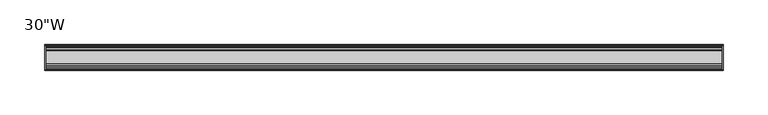
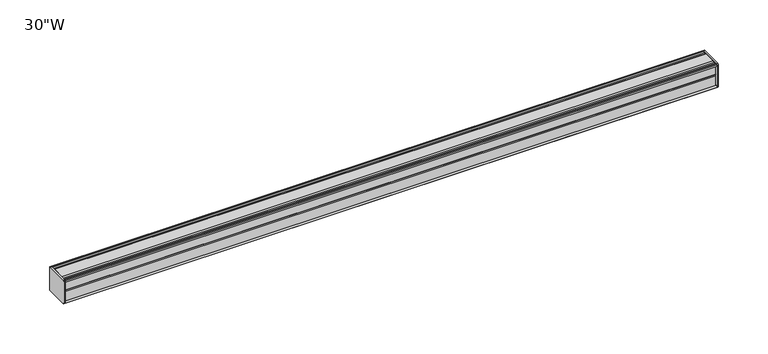
"""IFC4 building model written with IfcOpenShell, lengths in millimetres: furniture geometry."""

from ifc_helpers import new_model, si_unit, frame, origin, place, context, project, spatial, circle_curve, source, transform, mapped, element, save
from ifc_brep_helpers import plane_surface, cylinder_surface, advanced_brep


def furniture_b63b4769(model_context):
    return source(origin(), model_context, "Body", "AdvancedBrep", [
        advanced_brep(
        [(379.4125, 14.5851562, 1373.9436262), (379.4125, 14.5851562, 1347.7932877), (379.4125, 14.4138595, 1346.9873997), (379.4125, 13.8374434, 1346.4109837), (379.4125, 12.9019306, 1346.1603131), (379.4125, -13.4067434, 1346.1603131), (379.4125, -14.3040014, 1347.0575711), (379.4125, -14.5851563, 1347.8259798), (379.4125, -14.5851563, 1373.7443327), (379.4125, -14.3040014, 1374.5127414), (379.4125, -13.4464303, 1375.3703125), (379.4125, 13.0500437, 1375.3703125), (379.4125, 13.8374434, 1375.1593288), (379.4125, 14.4138595, 1374.5829128), (381.0, 14.6248431, 1373.7955131), (381.0, 14.4138595, 1374.5829128), (381.0, 13.8374434, 1375.1593288), (381.0, 13.0500437, 1375.3703125), (381.0, -13.4464303, 1375.3703125), (381.0, -14.3040014, 1374.5127414), (381.0, -14.5851563, 1373.7443327), (381.0, -14.5851563, 1347.8259798), (381.0, -14.3040014, 1347.0575711), (381.0, -13.4067434, 1346.1603131), (381.0, 12.9019306, 1346.1603131), (381.0, 13.8374434, 1346.4109837), (381.0, 14.4138595, 1346.9873997), (381.0, 14.5851562, 1347.7932877)],
        [
            (0, 1),
            (1, 2),
            (2, 3),
            (3, 4),
            (4, 5),
            (5, 6),
            (6, 7, circle_curve(frame((379.4125, -13.3945313, 1347.8259798), z_axis=(-1.0, 0.0, 0.0), x_axis=(0.0, 1.0, 0.0)), 1.190625)),
            (7, 8),
            (8, 9, circle_curve(frame((379.4125, -13.3945313, 1373.7443327), z_axis=(-1.0, 0.0, 0.0), x_axis=(0.0, 1.0, 0.0)), 1.190625)),
            (9, 10),
            (10, 11),
            (11, 12),
            (12, 13),
            (13, 0),
            (14, 15),
            (15, 16),
            (16, 17),
            (17, 18),
            (18, 19),
            (19, 20, circle_curve(frame((381.0, -13.3945313, 1373.7443327), z_axis=(1.0, 0.0, 0.0), x_axis=(0.0, 1.0, 0.0)), 1.190625)),
            (20, 21),
            (21, 22, circle_curve(frame((381.0, -13.3945313, 1347.8259798), z_axis=(1.0, 0.0, 0.0), x_axis=(0.0, 1.0, 0.0)), 1.190625)),
            (22, 23),
            (23, 24),
            (24, 25),
            (25, 26),
            (26, 27),
            (27, 14),
            (13, 15),
            (14, 0),
            (12, 16),
            (11, 17),
            (10, 18),
            (9, 19),
            (8, 20),
            (7, 21),
            (6, 22),
            (5, 23),
            (4, 24),
            (3, 25),
            (2, 26),
            (1, 27),
        ],
        [
            plane_surface(frame((379.4125, 14.5851562, 1347.7932877), z_axis=(-1.0, 0.0, 0.0), x_axis=(0.0, 0.0, -1.0))),
            plane_surface(frame((381.0, 14.5851562, 1347.7932877), z_axis=(1.0, 0.0, 0.0), x_axis=(0.0, 0.0, 1.0))),
            plane_surface(frame((379.4125, 14.4138595, 1374.5829128), z_axis=(0.0, 0.9659256560349858, 0.25881968049857096), x_axis=(1.0, 0.0, 0.0))),
            plane_surface(frame((379.4125, 13.8374434, 1375.1593288), z_axis=(0.0, 0.7071067811866345, 0.7071067811864606), x_axis=(1.0, 0.0, 0.0))),
            plane_surface(frame((379.4125, 13.0500437, 1375.3703125), z_axis=(0.0, 0.25881968048234233, 0.9659256560393343), x_axis=(1.0, 0.0, 0.0))),
            plane_surface(frame((379.4125, -13.4464303, 1375.3703125), z_axis=(0.0, 0.0, 1.0), x_axis=(1.0, 0.0, 0.0))),
            plane_surface(frame((379.4125, -14.3040014, 1374.5127414), z_axis=(0.0, -0.7071067811807561, 0.707106781192339), x_axis=(1.0, 0.0, 0.0))),
            cylinder_surface(frame((381.0, -13.3945313, 1373.7443327), z_axis=(-1.0, 0.0, 0.0), x_axis=(0.0, 1.0, 0.0)), 1.190625),
            plane_surface(frame((379.4125, -14.5851563, 1347.8259798), z_axis=(0.0, -1.0, 0.0), x_axis=(1.0, 0.0, 0.0))),
            cylinder_surface(frame((381.0, -13.3945313, 1347.8259798), z_axis=(-1.0, 0.0, 0.0), x_axis=(0.0, 1.0, 0.0)), 1.190625),
            plane_surface(frame((379.4125, -13.4067434, 1346.1603131), z_axis=(0.0, -0.7071067811894153, -0.7071067811836799), x_axis=(1.0, 0.0, 0.0))),
            plane_surface(frame((379.4125, 12.9019306, 1346.1603131), z_axis=(0.0, 0.0, -1.0), x_axis=(1.0, 0.0, 0.0))),
            plane_surface(frame((379.4125, 13.8374434, 1346.4109837), z_axis=(0.0, 0.25881968049856396, -0.9659256560349876), x_axis=(1.0, 0.0, 0.0))),
            plane_surface(frame((379.4125, 14.4138595, 1346.9873997), z_axis=(0.0, 0.7071067811865204, -0.7071067811865748), x_axis=(1.0, 0.0, 0.0))),
            plane_surface(frame((379.4125, 14.5851562, 1347.7932877), z_axis=(0.0, 0.9781476007322519, -0.2079116908250694), x_axis=(1.0, 0.0, 0.0))),
            plane_surface(frame((379.4125, 14.5851562, 1373.9436262), z_axis=(0.0, 1.0, 0.0), x_axis=(1.0, 0.0, 0.0))),
        ],
        [
            (0, [[1, 2, 3, 4, 5, 6, 7, 8, 9, 10, 11, 12, 13, 14]]),
            (1, [[15, 16, 17, 18, 19, 20, 21, 22, 23, 24, 25, 26, 27, 28]]),
            (2, [[-14, 29, -15, 30]]),
            (3, [[-13, 31, -16, -29]]),
            (4, [[-12, 32, -17, -31]]),
            (5, [[-11, 33, -18, -32]]),
            (6, [[-10, 34, -19, -33]]),
            (7, [[-9, 35, -20, -34]]),
            (8, [[-8, 36, -21, -35]]),
            (9, [[-7, 37, -22, -36]]),
            (10, [[-6, 38, -23, -37]]),
            (11, [[-5, 39, -24, -38]]),
            (12, [[-4, 40, -25, -39]]),
            (13, [[-3, 41, -26, -40]]),
            (14, [[-2, 42, -27, -41]]),
            (15, [[-1, -30, -28, -42]]),
        ],
    ),
        advanced_brep(
        [(-379.4125, 14.6248431, 1373.7955131), (-379.4125, 14.4138595, 1374.5829128), (-379.4125, 13.8374434, 1375.1593288), (-379.4125, 13.0500437, 1375.3703125), (-379.4125, -13.4464303, 1375.3703125), (-379.4125, -14.3040014, 1374.5127414), (-379.4125, -14.5851563, 1373.7443327), (-379.4125, -14.5851563, 1347.8259798), (-379.4125, -14.3040014, 1347.0575711), (-379.4125, -13.4067434, 1346.1603131), (-379.4125, 12.9019306, 1346.1603131), (-379.4125, 13.8374434, 1346.4109837), (-379.4125, 14.4138595, 1346.9873997), (-379.4125, 14.5851562, 1347.7932877), (-381.0, 14.5851562, 1373.9436262), (-381.0, 14.5851562, 1347.7932877), (-381.0, 14.4138595, 1346.9873997), (-381.0, 13.8374434, 1346.4109837), (-381.0, 12.9019306, 1346.1603131), (-381.0, -13.4067434, 1346.1603131), (-381.0, -14.3040014, 1347.0575711), (-381.0, -14.5851563, 1347.8259798), (-381.0, -14.5851563, 1373.7443327), (-381.0, -14.3040014, 1374.5127414), (-381.0, -13.4464303, 1375.3703125), (-381.0, 13.0500437, 1375.3703125), (-381.0, 13.8374434, 1375.1593288), (-381.0, 14.4138595, 1374.5829128)],
        [
            (0, 1),
            (1, 2),
            (2, 3),
            (3, 4),
            (4, 5),
            (5, 6, circle_curve(frame((-379.4125, -13.3945313, 1373.7443327), z_axis=(1.0, 0.0, 0.0), x_axis=(0.0, 1.0, 0.0)), 1.190625)),
            (6, 7),
            (7, 8, circle_curve(frame((-379.4125, -13.3945313, 1347.8259798), z_axis=(1.0, 0.0, 0.0), x_axis=(0.0, 1.0, 0.0)), 1.190625)),
            (8, 9),
            (9, 10),
            (10, 11),
            (11, 12),
            (12, 13),
            (13, 0),
            (14, 15),
            (15, 16),
            (16, 17),
            (17, 18),
            (18, 19),
            (19, 20),
            (20, 21, circle_curve(frame((-381.0, -13.3945313, 1347.8259798), z_axis=(-1.0, 0.0, 0.0), x_axis=(0.0, 1.0, 0.0)), 1.190625)),
            (21, 22),
            (22, 23, circle_curve(frame((-381.0, -13.3945313, 1373.7443327), z_axis=(-1.0, 0.0, 0.0), x_axis=(0.0, 1.0, 0.0)), 1.190625)),
            (23, 24),
            (24, 25),
            (25, 26),
            (26, 27),
            (27, 14),
            (0, 14),
            (27, 1),
            (26, 2),
            (25, 3),
            (24, 4),
            (23, 5),
            (22, 6),
            (21, 7),
            (20, 8),
            (19, 9),
            (18, 10),
            (17, 11),
            (16, 12),
            (15, 13),
        ],
        [
            plane_surface(frame((-379.4125, 14.6248431, 1373.7955131), z_axis=(1.0, 0.0, 0.0), x_axis=(0.0, -0.2588196804654467, 0.9659256560438614))),
            plane_surface(frame((-381.0, 14.6248431, 1373.7955131), z_axis=(-1.0, 0.0, 0.0), x_axis=(0.0, 0.2588196804654467, -0.9659256560438614))),
            plane_surface(frame((-379.4125, 14.6248431, 1373.7955131), z_axis=(0.0, 0.9659256560438614, 0.2588196804654467), x_axis=(-1.0, 0.0, 0.0))),
            plane_surface(frame((-379.4125, 14.4138595, 1374.5829128), z_axis=(0.0, 0.7071067811204292, 0.7071067812526658), x_axis=(-1.0, 0.0, 0.0))),
            plane_surface(frame((-379.4125, 13.8374434, 1375.1593288), z_axis=(0.0, 0.25881968048975534, 0.9659256560373479), x_axis=(-1.0, 0.0, 0.0))),
            plane_surface(frame((-379.4125, 13.0500437, 1375.3703125), z_axis=(0.0, 0.0, 1.0), x_axis=(-1.0, 0.0, 0.0))),
            plane_surface(frame((-379.4125, -13.4464303, 1375.3703125), z_axis=(0.0, -0.7071067811870986, 0.7071067811859965), x_axis=(-1.0, 0.0, 0.0))),
            cylinder_surface(frame((-381.0, -13.3945313, 1373.7443327), z_axis=(1.0, 0.0, 0.0), x_axis=(0.0, 1.0, 0.0)), 1.190625),
            plane_surface(frame((-379.4125, -14.5851563, 1373.7443327), z_axis=(0.0, -1.0, 0.0), x_axis=(-1.0, 0.0, 0.0))),
            cylinder_surface(frame((-381.0, -13.3945313, 1347.8259798), z_axis=(1.0, 0.0, 0.0), x_axis=(0.0, 1.0, 0.0)), 1.190625),
            plane_surface(frame((-379.4125, -14.3040014, 1347.0575711), z_axis=(0.0, -0.7071067811865341, -0.7071067811865609), x_axis=(-1.0, 0.0, 0.0))),
            plane_surface(frame((-379.4125, -13.4067434, 1346.1603131), z_axis=(0.0, 0.0, -1.0), x_axis=(-1.0, 0.0, 0.0))),
            plane_surface(frame((-379.4125, 12.9019306, 1346.1603131), z_axis=(0.0, 0.25881968049856563, -0.9659256560349873), x_axis=(-1.0, 0.0, 0.0))),
            plane_surface(frame((-379.4125, 13.8374434, 1346.4109837), z_axis=(0.0, 0.707106781186519, -0.7071067811865761), x_axis=(-1.0, 0.0, 0.0))),
            plane_surface(frame((-379.4125, 14.4138595, 1346.9873997), z_axis=(0.0, 0.9781476007324962, -0.20791169082391994), x_axis=(-1.0, 0.0, 0.0))),
            plane_surface(frame((-379.4125, 14.5851562, 1347.7932877), z_axis=(0.0, 1.0, 0.0), x_axis=(-1.0, 0.0, 0.0))),
        ],
        [
            (0, [[1, 2, 3, 4, 5, 6, 7, 8, 9, 10, 11, 12, 13, 14]]),
            (1, [[15, 16, 17, 18, 19, 20, 21, 22, 23, 24, 25, 26, 27, 28]]),
            (2, [[-1, 29, -28, 30]]),
            (3, [[-2, -30, -27, 31]]),
            (4, [[-3, -31, -26, 32]]),
            (5, [[-4, -32, -25, 33]]),
            (6, [[-5, -33, -24, 34]]),
            (7, [[-6, -34, -23, 35]]),
            (8, [[-7, -35, -22, 36]]),
            (9, [[-8, -36, -21, 37]]),
            (10, [[-9, -37, -20, 38]]),
            (11, [[-10, -38, -19, 39]]),
            (12, [[-11, -39, -18, 40]]),
            (13, [[-12, -40, -17, 41]]),
            (14, [[-13, -41, -16, 42]]),
            (15, [[-14, -42, -15, -29]]),
        ],
    ),
        advanced_brep(
        [(379.4125, -7.3748315, 1375.3703125), (379.4125, -8.9105708, 1374.3395796), (379.4125, -10.7601399, 1374.3395796), (379.4125, -12.2958792, 1375.3703125), (379.4125, -13.4464303, 1375.3703125), (379.4125, -14.3040014, 1374.5127414), (379.4125, -13.3945313, 1372.5537077), (379.4125, -13.3945313, 1373.465312), (379.4125, -12.2039063, 1373.465312), (379.4125, -12.2039063, 1361.5590632), (379.4125, -11.4101564, 1360.7653134), (379.4125, -12.2039063, 1359.9715636), (379.4125, -12.2039063, 1348.0653131), (379.4125, -13.3945313, 1348.0653131), (379.4125, -13.3945313, 1349.0166048), (379.4125, -14.3040014, 1347.0575711), (379.4125, -13.4067434, 1346.1603131), (379.4125, -12.2958792, 1346.1603131), (379.4125, -10.7601399, 1347.1910471), (379.4125, -8.9105708, 1347.1910471), (379.4125, -7.4339628, 1346.2), (379.4125, 7.4145184, 1346.2), (379.4125, 8.9502576, 1347.2307329), (379.4125, 10.7998291, 1347.2307329), (379.4125, 12.2275037, 1346.2), (379.4125, 13.0500437, 1346.2), (379.4125, 13.8374434, 1346.4109837), (379.4125, 14.4138595, 1346.9873997), (379.4125, 14.5851562, 1347.7932877), (379.4125, 14.5851562, 1373.9436262), (379.4125, 14.4138595, 1374.5829128), (379.4125, 13.8374434, 1375.1593288), (379.4125, 13.0500437, 1375.3703125), (379.4125, 12.2275037, 1375.3703125), (379.4125, 10.7998291, 1374.3395796), (379.4125, 8.9502576, 1374.3395796), (379.4125, 7.4145184, 1375.3703125), (-379.4125, -7.3748315, 1375.3703125), (-379.4125, 7.4145184, 1375.3703125), (-379.4125, 8.9502576, 1374.3395796), (-379.4125, 10.7998291, 1374.3395796), (-379.4125, 12.2275037, 1375.3703125), (-379.4125, 13.0500437, 1375.3703125), (-379.4125, 13.8374434, 1375.1593288), (-379.4125, 14.4138595, 1374.5829128), (-379.4125, 14.6248431, 1373.7955131), (-379.4125, 14.5851562, 1347.7932877), (-379.4125, 14.4138595, 1346.9873997), (-379.4125, 13.8374434, 1346.4109837), (-379.4125, 13.0500437, 1346.2), (-379.4125, 12.2275037, 1346.2), (-379.4125, 10.7998291, 1347.2307329), (-379.4125, 8.9502576, 1347.2307329), (-379.4125, 7.4145184, 1346.2), (-379.4125, -7.4339628, 1346.2), (-379.4125, -8.9105708, 1347.1910471), (-379.4125, -10.7601399, 1347.1910471), (-379.4125, -12.2958792, 1346.1603131), (-379.4125, -13.4067434, 1346.1603131), (-379.4125, -14.3040014, 1347.0575711), (-379.4125, -13.3945313, 1349.0166048), (-379.4125, -13.3945313, 1348.0653131), (-379.4125, -12.2039063, 1348.0653131), (-379.4125, -12.2039063, 1359.9715636), (-379.4125, -11.4101564, 1360.7653134), (-379.4125, -12.2039063, 1361.5590632), (-379.4125, -12.2039063, 1373.465312), (-379.4125, -13.3945313, 1373.465312), (-379.4125, -13.3945313, 1372.5537077), (-379.4125, -14.3040014, 1374.5127414), (-379.4125, -13.4464303, 1375.3703125), (-379.4125, -12.2958792, 1375.3703125), (-379.4125, -10.7601399, 1374.3395796), (-379.4125, -8.9105708, 1374.3395796)],
        [
            (0, 1),
            (1, 2),
            (2, 3),
            (3, 4),
            (4, 5),
            (5, 6, circle_curve(frame((379.4125, -13.3945313, 1373.7443327), z_axis=(1.0, 0.0, 0.0), x_axis=(0.0, 1.0, 0.0)), 1.190625)),
            (6, 7),
            (7, 8),
            (8, 9),
            (9, 10),
            (10, 11),
            (11, 12),
            (12, 13),
            (13, 14),
            (14, 15, circle_curve(frame((379.4125, -13.3945313, 1347.8259798), z_axis=(1.0, 0.0, 0.0), x_axis=(0.0, 1.0, 0.0)), 1.190625)),
            (15, 16),
            (16, 17),
            (17, 18),
            (18, 19),
            (19, 20),
            (20, 21),
            (21, 22),
            (22, 23),
            (23, 24),
            (24, 25),
            (25, 26),
            (26, 27),
            (27, 28),
            (28, 29),
            (29, 30),
            (30, 31),
            (31, 32),
            (32, 33),
            (33, 34),
            (34, 35),
            (35, 36),
            (36, 0),
            (37, 38),
            (38, 39),
            (39, 40),
            (40, 41),
            (41, 42),
            (42, 43),
            (43, 44),
            (44, 45),
            (45, 46),
            (46, 47),
            (47, 48),
            (48, 49),
            (49, 50),
            (50, 51),
            (51, 52),
            (52, 53),
            (53, 54),
            (54, 55),
            (55, 56),
            (56, 57),
            (57, 58),
            (58, 59),
            (59, 60, circle_curve(frame((-379.4125, -13.3945313, 1347.8259798), z_axis=(-1.0, 0.0, 0.0), x_axis=(0.0, 1.0, 0.0)), 1.190625)),
            (60, 61),
            (61, 62),
            (62, 63),
            (63, 64),
            (64, 65),
            (65, 66),
            (66, 67),
            (67, 68),
            (68, 69, circle_curve(frame((-379.4125, -13.3945313, 1373.7443327), z_axis=(-1.0, 0.0, 0.0), x_axis=(0.0, 1.0, 0.0)), 1.190625)),
            (69, 70),
            (70, 71),
            (71, 72),
            (72, 73),
            (73, 37),
            (0, 37),
            (73, 1),
            (72, 2),
            (71, 3),
            (70, 4),
            (69, 5),
            (68, 6),
            (67, 7),
            (66, 8),
            (65, 9),
            (64, 10),
            (63, 11),
            (62, 12),
            (61, 13),
            (60, 14),
            (59, 15),
            (58, 16),
            (57, 17),
            (56, 18),
            (55, 19),
            (54, 20),
            (53, 21),
            (52, 22),
            (51, 23),
            (50, 24),
            (49, 25),
            (48, 26),
            (47, 27),
            (46, 28),
            (45, 29),
            (44, 30),
            (43, 31),
            (42, 32),
            (41, 33),
            (40, 34),
            (39, 35),
            (38, 36),
        ],
        [
            plane_surface(frame((379.4125, -7.3748315, 1375.3703125), z_axis=(1.0000000000000002, 0.0, 0.0), x_axis=(0.0, -0.8303227972591122, -0.5572827400447671))),
            plane_surface(frame((-379.4125, -7.3748315, 1375.3703125), z_axis=(-1.0000000000000002, 0.0, 0.0), x_axis=(0.0, 0.8303227972591122, 0.5572827400447671))),
            plane_surface(frame((379.4125, -7.3748315, 1375.3703125), z_axis=(0.0, -0.5572827400447671, 0.8303227972591122), x_axis=(-1.0, 0.0, 0.0))),
            plane_surface(frame((379.4125, -8.9105708, 1374.3395796), z_axis=(0.0, 0.0, 1.0), x_axis=(-1.0, 0.0, 0.0))),
            plane_surface(frame((379.4125, -10.7601399, 1374.3395796), z_axis=(0.0, 0.5572827400447673, 0.8303227972591121), x_axis=(-1.0, 0.0, 0.0))),
            plane_surface(frame((379.4125, -12.2958792, 1375.3703125), z_axis=(0.0, 0.0, 1.0), x_axis=(-1.0, 0.0, 0.0))),
            plane_surface(frame((379.4125, -13.4464303, 1375.3703125), z_axis=(0.0, -0.7071067811833291, 0.7071067811897659), x_axis=(-1.0, 0.0, 0.0))),
            cylinder_surface(frame((-379.4125, -13.3945313, 1373.7443327), z_axis=(1.0, 0.0, 0.0), x_axis=(0.0, 1.0, 0.0)), 1.190625),
            plane_surface(frame((379.4125, -13.3945313, 1372.5537077), z_axis=(0.0, 1.0, 0.0), x_axis=(-1.0, 0.0, 0.0))),
            plane_surface(frame((379.4125, -13.3945313, 1373.465312), z_axis=(0.0, 0.0, -1.0), x_axis=(-1.0, 0.0, 0.0))),
            plane_surface(frame((379.4125, -12.2039063, 1373.465312), z_axis=(0.0, -1.0, 0.0), x_axis=(-1.0, 0.0, 0.0))),
            plane_surface(frame((379.4125, -12.2039063, 1361.5590632), z_axis=(0.0, -0.7071067811865249, -0.7071067811865701), x_axis=(-1.0, 0.0, 0.0))),
            plane_surface(frame((379.4125, -11.4101564, 1360.7653134), z_axis=(0.0, -0.7071067811865522, 0.7071067811865428), x_axis=(-1.0, 0.0, 0.0))),
            plane_surface(frame((379.4125, -12.2039063, 1359.9715636), z_axis=(0.0, -1.0, 0.0), x_axis=(-1.0, 0.0, 0.0))),
            plane_surface(frame((379.4125, -12.2039063, 1348.0653131), z_axis=(0.0, 0.0, 1.0), x_axis=(-1.0, 0.0, 0.0))),
            plane_surface(frame((379.4125, -13.3945313, 1348.0653131), z_axis=(0.0, 1.0, 0.0), x_axis=(-1.0, 0.0, 0.0))),
            cylinder_surface(frame((-379.4125, -13.3945313, 1347.8259798), z_axis=(1.0, 0.0, 0.0), x_axis=(0.0, 1.0, 0.0)), 1.190625),
            plane_surface(frame((379.4125, -14.3040014, 1347.0575711), z_axis=(0.0, -0.7071067811865901, -0.707106781186505), x_axis=(-1.0, 0.0, 0.0))),
            plane_surface(frame((379.4125, -13.4067434, 1346.1603131), z_axis=(0.0, 0.0, -1.0), x_axis=(-1.0, 0.0, 0.0))),
            plane_surface(frame((379.4125, -12.2958792, 1346.1603131), z_axis=(0.0, 0.5572831632988446, -0.8303225131860712), x_axis=(-1.0, 0.0, 0.0))),
            plane_surface(frame((379.4125, -10.7601399, 1347.1910471), z_axis=(0.0, 0.0, -1.0), x_axis=(-1.0, 0.0, 0.0))),
            plane_surface(frame((379.4125, -8.9105708, 1347.1910471), z_axis=(0.0, -0.5572831633017836, -0.8303225131840987), x_axis=(-1.0, 0.0, 0.0))),
            plane_surface(frame((379.4125, -7.4339628, 1346.2), z_axis=(0.0, 0.0, -1.0), x_axis=(-1.0, 0.0, 0.0))),
            plane_surface(frame((379.4125, 7.4145184, 1346.2), z_axis=(0.0, 0.5572827400504189, -0.8303227972553188), x_axis=(-1.0, 0.0, 0.0))),
            plane_surface(frame((379.4125, 8.9502576, 1347.2307329), z_axis=(0.0, 0.0, -1.0), x_axis=(-1.0, 0.0, 0.0))),
            plane_surface(frame((379.4125, 10.7998291, 1347.2307329), z_axis=(0.0, -0.5853541342124147, -0.8107777362264177), x_axis=(-1.0, 0.0, 0.0))),
            plane_surface(frame((379.4125, 12.2275037, 1346.2), z_axis=(0.0, 0.0, -1.0), x_axis=(-1.0, 0.0, 0.0))),
            plane_surface(frame((379.4125, 13.0500437, 1346.2), z_axis=(0.0, 0.2588196804985639, -0.9659256560349877), x_axis=(-1.0, 0.0, 0.0))),
            plane_surface(frame((379.4125, 13.8374434, 1346.4109837), z_axis=(0.0, 0.7071067811865592, -0.7071067811865358), x_axis=(-1.0, 0.0, 0.0))),
            plane_surface(frame((379.4125, 14.4138595, 1346.9873997), z_axis=(0.0, 0.9781476007325025, -0.20791169082388997), x_axis=(-1.0, 0.0, 0.0))),
            plane_surface(frame((379.4125, 14.5851562, 1347.7932877), z_axis=(0.0, 1.0, 0.0), x_axis=(-1.0, 0.0, 0.0))),
            plane_surface(frame((379.4125, 14.6248431, 1373.7955131), z_axis=(0.0, 0.9659256560439059, 0.2588196804652809), x_axis=(-1.0, 0.0, 0.0))),
            plane_surface(frame((379.4125, 14.4138595, 1374.5829128), z_axis=(0.0, 0.7071067811199622, 0.7071067812531329), x_axis=(-1.0, 0.0, 0.0))),
            plane_surface(frame((379.4125, 13.8374434, 1375.1593288), z_axis=(0.0, 0.2588196804898881, 0.9659256560373124), x_axis=(-1.0, 0.0, 0.0))),
            plane_surface(frame((379.4125, 13.0500437, 1375.3703125), z_axis=(0.0, 0.0, 1.0), x_axis=(-1.0, 0.0, 0.0))),
            plane_surface(frame((379.4125, 12.2275037, 1375.3703125), z_axis=(0.0, -0.5853541342095849, 0.8107777362284607), x_axis=(-1.0, 0.0, 0.0))),
            plane_surface(frame((379.4125, 10.7998291, 1374.3395796), z_axis=(0.0, 0.0, 1.0), x_axis=(-1.0, 0.0, 0.0))),
            plane_surface(frame((379.4125, 8.9502576, 1374.3395796), z_axis=(0.0, 0.5572827400447673, 0.8303227972591121), x_axis=(-1.0, 0.0, 0.0))),
            plane_surface(frame((379.4125, 7.4145184, 1375.3703125), z_axis=(0.0, 0.0, 1.0), x_axis=(-1.0, 0.0, 0.0))),
        ],
        [
            (0, [[1, 2, 3, 4, 5, 6, 7, 8, 9, 10, 11, 12, 13, 14, 15, 16, 17, 18, 19, 20, 21, 22, 23, 24, 25, 26, 27, 28, 29, 30, 31, 32, 33, 34, 35, 36, 37]]),
            (1, [[38, 39, 40, 41, 42, 43, 44, 45, 46, 47, 48, 49, 50, 51, 52, 53, 54, 55, 56, 57, 58, 59, 60, 61, 62, 63, 64, 65, 66, 67, 68, 69, 70, 71, 72, 73, 74]]),
            (2, [[-1, 75, -74, 76]]),
            (3, [[-2, -76, -73, 77]]),
            (4, [[-3, -77, -72, 78]]),
            (5, [[-4, -78, -71, 79]]),
            (6, [[-5, -79, -70, 80]]),
            (7, [[-6, -80, -69, 81]]),
            (8, [[-7, -81, -68, 82]]),
            (9, [[-8, -82, -67, 83]]),
            (10, [[-9, -83, -66, 84]]),
            (11, [[-10, -84, -65, 85]]),
            (12, [[-11, -85, -64, 86]]),
            (13, [[-12, -86, -63, 87]]),
            (14, [[-13, -87, -62, 88]]),
            (15, [[-14, -88, -61, 89]]),
            (16, [[-15, -89, -60, 90]]),
            (17, [[-16, -90, -59, 91]]),
            (18, [[-17, -91, -58, 92]]),
            (19, [[-18, -92, -57, 93]]),
            (20, [[-19, -93, -56, 94]]),
            (21, [[-20, -94, -55, 95]]),
            (22, [[-21, -95, -54, 96]]),
            (23, [[-22, -96, -53, 97]]),
            (24, [[-23, -97, -52, 98]]),
            (25, [[-24, -98, -51, 99]]),
            (26, [[-25, -99, -50, 100]]),
            (27, [[-26, -100, -49, 101]]),
            (28, [[-27, -101, -48, 102]]),
            (29, [[-28, -102, -47, 103]]),
            (30, [[-29, -103, -46, 104]]),
            (31, [[-30, -104, -45, 105]]),
            (32, [[-31, -105, -44, 106]]),
            (33, [[-32, -106, -43, 107]]),
            (34, [[-33, -107, -42, 108]]),
            (35, [[-34, -108, -41, 109]]),
            (36, [[-35, -109, -40, 110]]),
            (37, [[-36, -110, -39, 111]]),
            (38, [[-37, -111, -38, -75]]),
        ],
    ),
    ])


if __name__ == "__main__":
    model = new_model("IFC4")
    model_context = context("Model", 3, world=origin())
    ifc_project = project(units=[si_unit("LENGTHUNIT", "METRE", prefix="MILLI")], contexts=[model_context])
    site = spatial("IfcSite", under=ifc_project)
    building = spatial("IfcBuilding", under=site)
    placement = place(None, origin())
    furniture_shape = furniture_b63b4769(model_context)
    element("IfcFurniture", 1, ObjectType="30\"W", at=placement, inside=building, context=model_context, shape_type="MappedRepresentation", body=[
        mapped(furniture_shape, transform((0.0, 0.0, 0.0), x_axis=(1.0, 0.0, 0.0), y_axis=(0.0, 1.0, 0.0), z_axis=(0.0, 0.0, 1.0))),
    ])
    save(model, "model.ifc")
